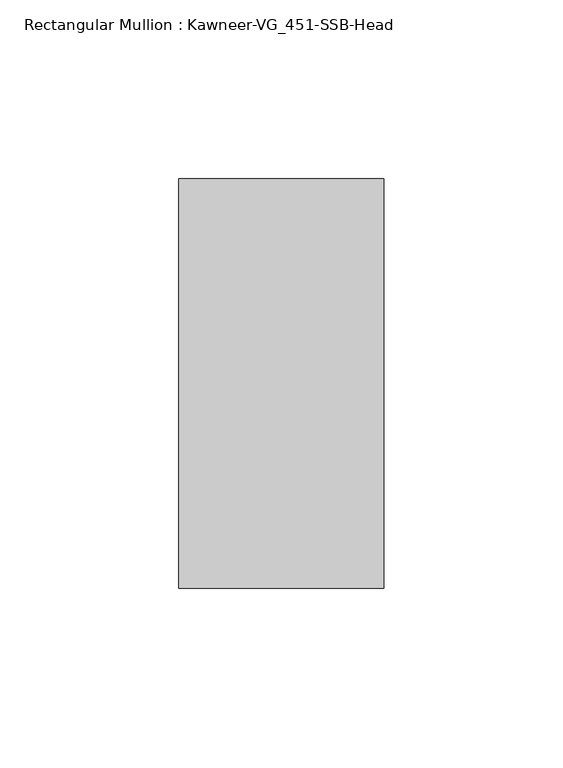
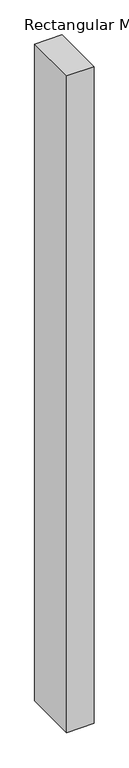
"""IFC4 building model written with IfcOpenShell, lengths in millimetres: member geometry, Rectangular Mullion : Kawneer-VG_451-SSB-Head."""

import ifcopenshell
import ifcopenshell.guid

model = None  # the IFC model being written
_history = None  # IfcOwnerHistory: only IFC2X3 demands one
_inside = {}  # id of a spatial element -> (the spatial element, [elements in it])
_under = {}  # id of a project, library or spatial element -> (it, [spatial elements below it])
_declared = {}  # id of a project -> (the project, [libraries it declares])
_typed = {}  # id of a type object -> (the type object, [elements of that type])
_made_of = {}  # id of a material, layer set ... -> (it, [elements and type objects made of it])


def new_model(schema):
    """Start an empty IFC model of exactly this schema.

    Asked for "IFC4X3", IfcOpenShell would pick the latest addendum, in which some entities
    have other attributes; the version numbers below select the first issue.
    IFC2X3 requires an IfcOwnerHistory on every rooted entity: one is made here for all.
    """
    global model, _history
    if schema == "IFC4X3":
        model = ifcopenshell.file(schema_version=(4, 3, 0, 0))
    else:
        model = ifcopenshell.file(schema=schema)
    _inside.clear()
    _under.clear()
    _declared.clear()
    _typed.clear()
    _made_of.clear()
    _history = None
    if model.schema == "IFC2X3":
        org = make("IfcOrganization", Name="unknown")
        user = make(
            "IfcPersonAndOrganization",
            ThePerson=make("IfcPerson", FamilyName="unknown"),
            TheOrganization=org,
        )
        app = make(
            "IfcApplication",
            ApplicationDeveloper=org,
            Version="unknown",
            ApplicationFullName="unknown",
            ApplicationIdentifier="unknown",
        )
        _history = make(
            "IfcOwnerHistory",
            OwningUser=user,
            OwningApplication=app,
            ChangeAction="ADDED",
            CreationDate=0,
        )
    return model


def make(cls, **values):
    """One entity of the class cls with the attributes given. An attribute that is None is left unset."""
    return model.create_entity(
        cls, **{name: value for name, value in values.items() if value is not None}
    )


def rooted(cls, **values):
    """An entity with a GlobalId (a new one), such as an element, a storey or a relation."""
    return make(cls, GlobalId=ifcopenshell.guid.new(), OwnerHistory=_history, **values)


def si_unit(unit_type, name, prefix=None):
    """IfcSIUnit, for example si_unit("LENGTHUNIT", "METRE", prefix="MILLI")."""
    return make("IfcSIUnit", UnitType=unit_type, Prefix=prefix, Name=name)


def assignment(units):
    """IfcUnitAssignment: the units of a project."""
    return None if units is None else make("IfcUnitAssignment", Units=units)


def point(xyz):
    """IfcCartesianPoint."""
    return None if xyz is None else make("IfcCartesianPoint", Coordinates=xyz)


def direction(xyz):
    """IfcDirection."""
    return None if xyz is None else make("IfcDirection", DirectionRatios=xyz)


def frame(location, z_axis=None, x_axis=None):
    """IfcAxis2Placement3D, a coordinate frame: its origin and axes. An axis left out is left unset."""
    return make(
        "IfcAxis2Placement3D",
        Location=point(location),
        Axis=direction(z_axis),
        RefDirection=direction(x_axis),
    )


def origin():
    """The frame at (0, 0, 0) with its axes left unset."""
    return frame((0.0, 0.0, 0.0))


def place(relative_to, where):
    """IfcLocalPlacement: puts the frame where relative to a parent placement (None: the world)."""
    return make(
        "IfcLocalPlacement", PlacementRelTo=relative_to, RelativePlacement=where
    )


def context(
    kind, dimensions, precision=None, world=None, true_north=None, identifier=None
):
    """IfcGeometricRepresentationContext, for example the 3D "Model" context."""
    return make(
        "IfcGeometricRepresentationContext",
        ContextIdentifier=identifier,
        ContextType=kind,
        CoordinateSpaceDimension=dimensions,
        Precision=precision,
        WorldCoordinateSystem=world,
        TrueNorth=true_north,
    )


def project(units=None, contexts=None):
    """IfcProject with its units and contexts."""
    return rooted(
        "IfcProject",
        Name="project",
        RepresentationContexts=contexts,
        UnitsInContext=assignment(units),
    )


def spatial(cls, under=None, at=None, **own):
    """A site, building, storey or space (cls), placed at a placement, below another one or the project."""
    s = rooted(cls, ObjectPlacement=at, **own)
    if under is not None:
        _under.setdefault(under.id(), (under, []))[1].append(s)
    return s


def polyline(points):
    """IfcPolyline through the points."""
    return make("IfcPolyline", Points=[point(p) for p in points])


def outline(outer, holes=None, kind="AREA"):
    """IfcArbitraryClosedProfileDef: a profile drawn as a closed curve; with holes, ...WithVoids."""
    if holes is None:
        return make("IfcArbitraryClosedProfileDef", ProfileType=kind, OuterCurve=outer)
    return make(
        "IfcArbitraryProfileDefWithVoids",
        ProfileType=kind,
        OuterCurve=outer,
        InnerCurves=holes,
    )


def extrude(swept, where, along, depth):
    """IfcExtrudedAreaSolid: the profile swept, set in the frame where, extruded along a direction by depth."""
    return make(
        "IfcExtrudedAreaSolid",
        SweptArea=swept,
        Position=where,
        ExtrudedDirection=direction(along),
        Depth=depth,
    )


def shape(context_of_items, identifier, shape_type, items):
    """IfcShapeRepresentation: the items that make up one representation, for example the "Body"."""
    return make(
        "IfcShapeRepresentation",
        ContextOfItems=context_of_items,
        RepresentationIdentifier=identifier,
        RepresentationType=shape_type,
        Items=items,
    )


def source(mapping_origin, context_of_items, identifier, shape_type, items):
    """IfcRepresentationMap: a shape defined once, which mapped items show again and again."""
    return make(
        "IfcRepresentationMap",
        MappingOrigin=mapping_origin,
        MappedRepresentation=shape(context_of_items, identifier, shape_type, items),
    )


def transform(
    local_origin,
    x_axis=None,
    y_axis=None,
    z_axis=None,
    scale=None,
    scale2=None,
    scale3=None,
    uniform=True,
):
    """IfcCartesianTransformationOperator3D, or its non-uniform kind. x_axis, y_axis, z_axis: its Axis1, 2, 3."""
    if uniform:
        return make(
            "IfcCartesianTransformationOperator3D",
            Axis1=direction(x_axis),
            Axis2=direction(y_axis),
            LocalOrigin=point(local_origin),
            Scale=scale,
            Axis3=direction(z_axis),
        )
    return make(
        "IfcCartesianTransformationOperator3DnonUniform",
        Axis1=direction(x_axis),
        Axis2=direction(y_axis),
        LocalOrigin=point(local_origin),
        Scale=scale,
        Axis3=direction(z_axis),
        Scale2=scale2,
        Scale3=scale3,
    )


def mapped(mapping_source, mapping_target):
    """IfcMappedItem: shows the shape of a source again, moved by a transform."""
    return make(
        "IfcMappedItem", MappingSource=mapping_source, MappingTarget=mapping_target
    )


def made_of(thing, what):
    """Note that an element or type object is made of a material, layer set ...; save() writes the relation."""
    if what is not None:
        _made_of.setdefault(what.id(), (what, []))[1].append(thing)
    return thing


def element(
    cls,
    number,
    at=None,
    inside=None,
    cuts=None,
    type_object=None,
    material=None,
    context=None,
    identifier="Body",
    shape_type=None,
    held_by="IfcProductDefinitionShape",
    body=None,
    shapes=None,
    **own,
):
    """One element of the class cls, such as IfcWall. Its Tag is "e" and its number.

    at: its placement. inside: the storey or other place that contains it. cuts: it is an
    opening in that element (IfcRelVoidsElement). A single representation is given by context,
    identifier, shape_type and body (its items); several are given by shapes. held_by: the class
    of the entity that holds the representations. save() writes the other relations.
    """
    e = rooted(cls, Tag="e%d" % number, ObjectPlacement=at, **own)
    if body is not None:
        shapes = [shape(context, identifier, shape_type, body)]
    if shapes is not None:
        e.Representation = make(held_by, Representations=shapes)
    if inside is not None:
        _inside.setdefault(inside.id(), (inside, []))[1].append(e)
    if cuts is not None:
        rooted(
            "IfcRelVoidsElement", RelatingBuildingElement=cuts, RelatedOpeningElement=e
        )
    if type_object is not None:
        _typed.setdefault(type_object.id(), (type_object, []))[1].append(e)
    return made_of(e, material)


def aggregate(whole, parts):
    """IfcRelAggregates: a whole, such as a stair, and the parts it consists of."""
    return rooted("IfcRelAggregates", RelatingObject=whole, RelatedObjects=parts)


def save(model, path):
    """Write the relations noted so far, then the file.

    IfcRelAggregates (storeys below a building ...), IfcRelContainedInSpatialStructure (elements
    in a storey), IfcRelDefinesByType, IfcRelAssociatesMaterial and IfcRelDeclares: one each for
    every whole, place, type object, material and project.
    """
    for whole, parts in _under.values():
        aggregate(whole, parts)
    for where, things in _inside.values():
        rooted(
            "IfcRelContainedInSpatialStructure",
            RelatedElements=things,
            RelatingStructure=where,
        )
    for kind, things in _typed.values():
        rooted("IfcRelDefinesByType", RelatedObjects=things, RelatingType=kind)
    for what, things in _made_of.values():
        rooted("IfcRelAssociatesMaterial", RelatedObjects=things, RelatingMaterial=what)
    for by, libraries in _declared.values():
        rooted("IfcRelDeclares", RelatingContext=by, RelatedDefinitions=libraries)
    model.write(path)


def rectangular_mullion_kawneer_vg_451_ssb_head_3aa4c174(model_context):
    return source(origin(), model_context, "Body", "SweptSolid", [
        extrude(outline(polyline([(-57.15, -57.15), (-57.15, 57.15), (0.0, 57.15), (0.0, -57.15), (-57.15, -57.15)])), frame((0.0, 0.0, -1439.8625), z_axis=(0.0, 0.0, 1.0), x_axis=(1.0, 0.0, 0.0)), (0.0, 0.0, 1.0), 1439.8625),
    ])


if __name__ == "__main__":
    model = new_model("IFC4")
    model_context = context("Model", 3, world=origin())
    ifc_project = project(units=[si_unit("LENGTHUNIT", "METRE", prefix="MILLI")], contexts=[model_context])
    site = spatial("IfcSite", under=ifc_project)
    building = spatial("IfcBuilding", under=site)
    placement = place(None, origin())
    rectangular_mullion_kawneer_vg_451_ssb_head_shape = rectangular_mullion_kawneer_vg_451_ssb_head_3aa4c174(model_context)
    element("IfcMember", 1, ObjectType="Rectangular Mullion : Kawneer-VG_451-SSB-Head", at=placement, inside=building, context=model_context, shape_type="MappedRepresentation", body=[
        mapped(rectangular_mullion_kawneer_vg_451_ssb_head_shape, transform((0.0, 0.0, 0.0), x_axis=(1.0, 0.0, 0.0), y_axis=(0.0, 1.0, 0.0), z_axis=(0.0, 0.0, 1.0))),
    ])
    save(model, "model.ifc")
